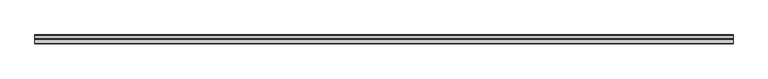
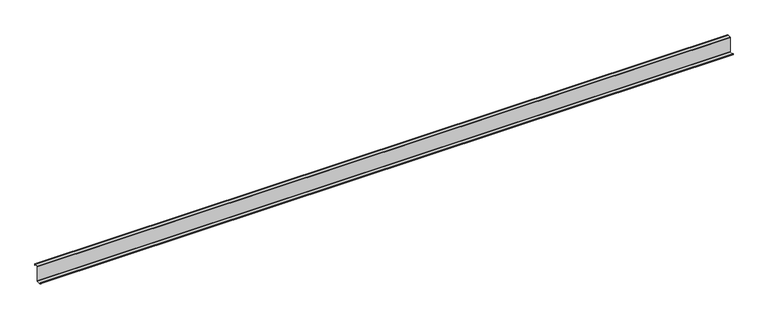
"""IFC4 building model written with IfcOpenShell, lengths in millimetres: member geometry."""

from ifc_helpers import new_model, si_unit, point, frame, frame_2d, origin, place, context, project, spatial, polyline, circle_curve, trimmed, segment, composite_curve, outline, extrude, source, transform, mapped, element, save


def member_9acda837(model_context):
    return source(origin(), model_context, "Body", "SweptSolid", [
        extrude(outline(composite_curve([segment(trimmed(circle_curve(frame_2d((-3.5, -123.5)), 3.5), [point((0.0, -123.5))], [point((-3.5, -127.0))], False, "CARTESIAN"), True, "CONTINUOUS"), segment(polyline([(-3.5, -127.0), (-75.0, -127.0)]), True, "CONTINUOUS"), segment(trimmed(circle_curve(frame_2d((-75.0, -123.5)), 3.5), [point((-75.0, -127.0))], [point((-78.5, -123.5))], False, "CARTESIAN"), True, "CONTINUOUS"), segment(polyline([(-78.5, -123.5), (-78.5, -107.5), (-77.0, -107.5), (-77.0, -123.5)]), True, "CONTINUOUS"), segment(trimmed(circle_curve(frame_2d((-75.0, -123.5)), 2.0), [point((-77.0, -123.5))], [point((-75.0, -125.5))], True, "CARTESIAN"), True, "CONTINUOUS"), segment(polyline([(-75.0, -125.5), (-3.5, -125.5)]), True, "CONTINUOUS"), segment(trimmed(circle_curve(frame_2d((-3.5, -123.5)), 2.0), [point((-3.5, -125.5))], [point((-1.5, -123.5))], True, "CARTESIAN"), True, "CONTINUOUS"), segment(polyline([(-1.5, -123.5), (-1.5, 123.5)]), True, "CONTINUOUS"), segment(trimmed(circle_curve(frame_2d((2.0, 123.5)), 3.5), [point((-1.5, 123.5))], [point((2.0, 127.0))], False, "CARTESIAN"), True, "CONTINUOUS"), segment(polyline([(2.0, 127.0), (63.5, 127.0)]), True, "CONTINUOUS"), segment(trimmed(circle_curve(frame_2d((63.5, 123.5)), 3.5), [point((63.5, 127.0))], [point((67.0, 123.5))], False, "CARTESIAN"), True, "CONTINUOUS"), segment(polyline([(67.0, 123.5), (67.0, 107.0), (65.5, 107.0), (65.5, 123.5)]), True, "CONTINUOUS"), segment(trimmed(circle_curve(frame_2d((63.5, 123.5)), 2.0), [point((65.5, 123.5))], [point((63.5, 125.5))], True, "CARTESIAN"), True, "CONTINUOUS"), segment(polyline([(63.5, 125.5), (2.0, 125.5)]), True, "CONTINUOUS"), segment(trimmed(circle_curve(frame_2d((2.0, 123.5)), 2.0), [point((2.0, 125.5))], [point((0.0, 123.5))], True, "CARTESIAN"), True, "CONTINUOUS"), segment(polyline([(0.0, 123.5), (0.0, -123.5)]), True, "CONTINUOUS")], self_intersect=False)), frame((-5632.5, 0.0, 0.0), z_axis=(1.0, 0.0, 0.0), x_axis=(0.0, 1.0, 0.0)), (0.0, 0.0, 1.0), 11265.0),
    ])


if __name__ == "__main__":
    model = new_model("IFC4")
    model_context = context("Model", 3, world=origin())
    ifc_project = project(units=[si_unit("LENGTHUNIT", "METRE", prefix="MILLI")], contexts=[model_context])
    site = spatial("IfcSite", under=ifc_project)
    building = spatial("IfcBuilding", under=site)
    placement = place(None, origin())
    member_shape = member_9acda837(model_context)
    element("IfcMember", 1, at=placement, inside=building, context=model_context, shape_type="MappedRepresentation", body=[
        mapped(member_shape, transform((0.0, 0.0, 0.0), x_axis=(1.0, 0.0, 0.0), y_axis=(0.0, 1.0, 0.0), z_axis=(0.0, 0.0, 1.0))),
    ])
    save(model, "model.ifc")
